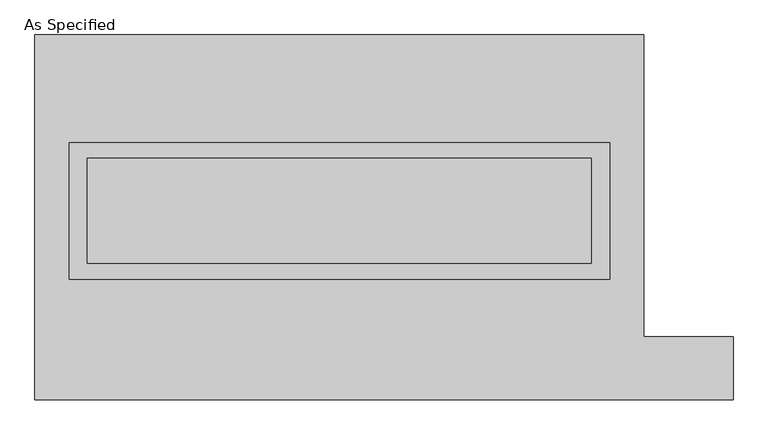
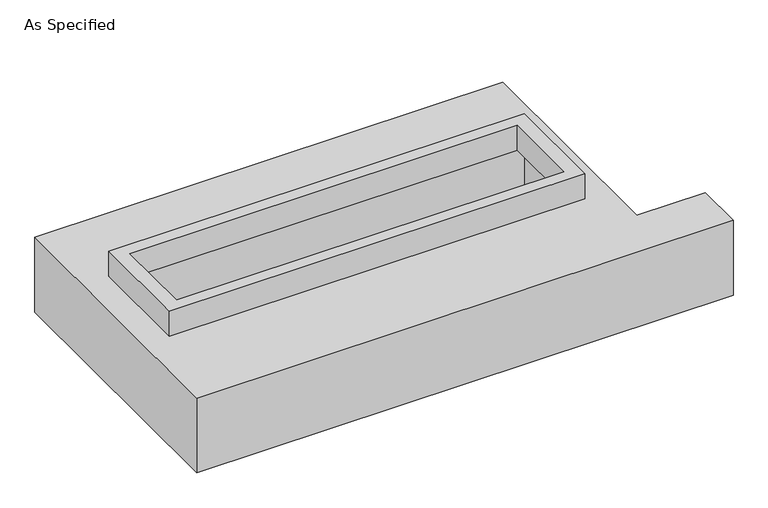
"""IFC4 building model written with IfcOpenShell, lengths in millimetres: proxy geometry, As Specified."""

from ifc_helpers import new_model, si_unit, frame, origin, place, context, project, spatial, polyline, outline, extrude, faceted_brep, source, transform, mapped, element, save


def as_specified_1e1b83c8(model_context):
    return source(origin(), model_context, "Body", "SolidModel", [
        extrude(outline(polyline([(1308.1, 361.95), (1308.1, -298.45), (-1308.1, -298.45), (-1308.1, 361.95), (1308.1, 361.95)]), holes=[polyline([(1219.2, 285.75), (-1219.2, 285.75), (-1219.2, -222.25), (1219.2, -222.25), (1219.2, 285.75)])]), frame((0.0, 0.0, -25.4), z_axis=(0.0, 0.0, 1.0), x_axis=(1.0, 0.0, 0.0)), (0.0, 0.0, 1.0), 165.1),
        faceted_brep([(-1473.2, 882.65, -523.875), (1473.2, 882.65, -523.875), (1473.2, -577.85, -523.875), (1905.0, -577.85, -523.875), (1905.0, -882.65, -523.875), (-1473.2, -882.65, -523.875), (1473.2, 882.65, -25.4), (-1473.2, 882.65, -25.4), (-1473.2, -882.65, -25.4), (1905.0, -882.65, -25.4), (1905.0, -577.85, -25.4), (1473.2, -577.85, -25.4), (-1308.1, -298.45, -25.4), (-1308.1, 361.95, -25.4), (1308.1, 361.95, -25.4), (1308.1, -298.45, -25.4), (1308.1, 361.95, -498.475), (-1308.1, 361.95, -498.475), (-1308.1, -298.45, -498.475), (1308.1, -298.45, -498.475)], [[[0, 1, 2, 3, 4, 5]], [[6, 7, 8, 9, 10, 11], [12, 13, 14, 15]], [[1, 0, 7, 6]], [[7, 0, 5, 8]], [[1, 6, 11, 2]], [[16, 17, 18, 19]], [[18, 17, 13, 12]], [[17, 16, 14, 13]], [[16, 19, 15, 14]], [[19, 18, 12, 15]], [[5, 4, 9, 8]], [[3, 2, 11, 10]], [[4, 3, 10, 9]]]),
    ])


if __name__ == "__main__":
    model = new_model("IFC4")
    model_context = context("Model", 3, world=origin())
    ifc_project = project(units=[si_unit("LENGTHUNIT", "METRE", prefix="MILLI")], contexts=[model_context])
    site = spatial("IfcSite", under=ifc_project)
    building = spatial("IfcBuilding", under=site)
    placement = place(None, origin())
    as_specified_shape = as_specified_1e1b83c8(model_context)
    element("IfcBuildingElementProxy", 1, Name="As Specified", ObjectType="As Specified", at=placement, inside=building, context=model_context, shape_type="MappedRepresentation", body=[
        mapped(as_specified_shape, transform((0.0, 0.0, 0.0), x_axis=(1.0, 0.0, 0.0), y_axis=(0.0, 1.0, 0.0), z_axis=(0.0, 0.0, 1.0))),
    ])
    save(model, "model.ifc")
